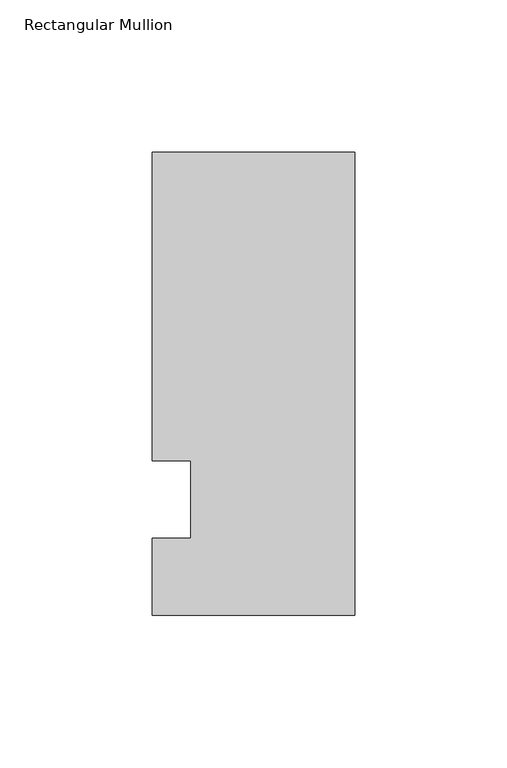
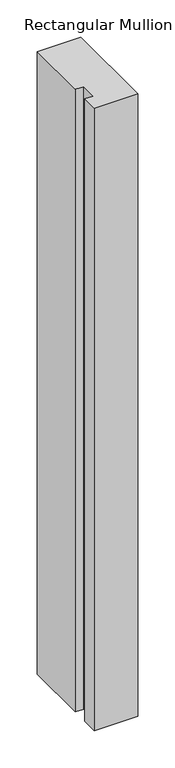
"""IFC4 building model written with IfcOpenShell, lengths in millimetres: member geometry, Rectangular Mullion."""

from ifc_helpers import new_model, si_unit, frame, origin, place, context, project, spatial, polyline, outline, extrude, source, transform, mapped, element, save


def rectangular_mullion_26eca847(model_context):
    return source(origin(), model_context, "Body", "SweptSolid", [
        extrude(outline(polyline([(-66.675, 114.3), (0.0, 114.3), (0.0, -38.1), (-66.675, -38.1), (-66.675, -12.7), (-53.975, -12.7), (-53.975, 12.7), (-66.675, 12.7), (-66.675, 114.3)])), frame((0.0, 0.0, -1016.0), z_axis=(0.0, 0.0, 1.0), x_axis=(1.0, 0.0, 0.0)), (0.0, 0.0, 1.0), 1016.0),
    ])


if __name__ == "__main__":
    model = new_model("IFC4")
    model_context = context("Model", 3, world=origin())
    ifc_project = project(units=[si_unit("LENGTHUNIT", "METRE", prefix="MILLI")], contexts=[model_context])
    site = spatial("IfcSite", under=ifc_project)
    building = spatial("IfcBuilding", under=site)
    placement = place(None, origin())
    rectangular_mullion_shape = rectangular_mullion_26eca847(model_context)
    element("IfcMember", 1, ObjectType="Rectangular Mullion", at=placement, inside=building, context=model_context, shape_type="MappedRepresentation", body=[
        mapped(rectangular_mullion_shape, transform((0.0, 0.0, 0.0), x_axis=(1.0, 0.0, 0.0), y_axis=(0.0, 1.0, 0.0), z_axis=(0.0, 0.0, 1.0))),
    ])
    save(model, "model.ifc")
